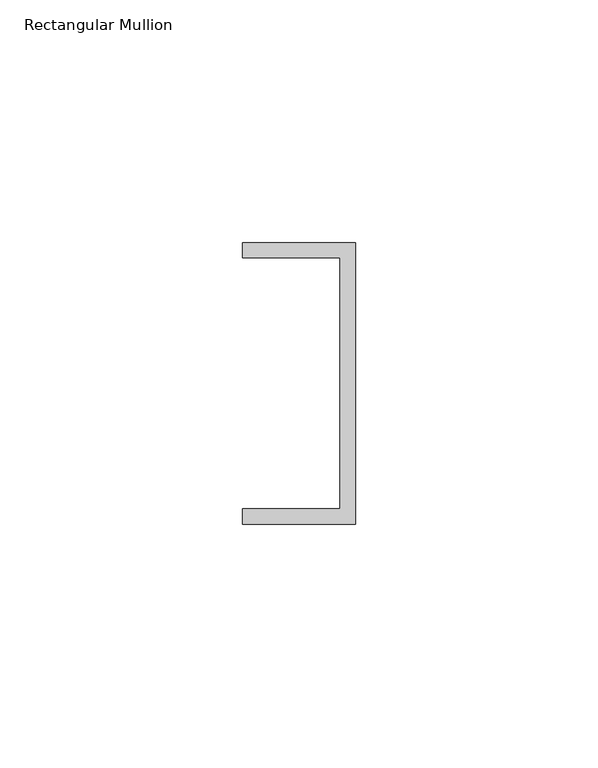
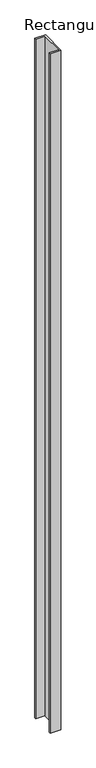
"""IFC4 building model written with IfcOpenShell, lengths in millimetres: member geometry, Rectangular Mullion."""

import ifcopenshell
import ifcopenshell.guid

model = None  # the IFC model being written
_history = None  # IfcOwnerHistory: only IFC2X3 demands one
_inside = {}  # id of a spatial element -> (the spatial element, [elements in it])
_under = {}  # id of a project, library or spatial element -> (it, [spatial elements below it])
_declared = {}  # id of a project -> (the project, [libraries it declares])
_typed = {}  # id of a type object -> (the type object, [elements of that type])
_made_of = {}  # id of a material, layer set ... -> (it, [elements and type objects made of it])


def new_model(schema):
    """Start an empty IFC model of exactly this schema.

    Asked for "IFC4X3", IfcOpenShell would pick the latest addendum, in which some entities
    have other attributes; the version numbers below select the first issue.
    IFC2X3 requires an IfcOwnerHistory on every rooted entity: one is made here for all.
    """
    global model, _history
    if schema == "IFC4X3":
        model = ifcopenshell.file(schema_version=(4, 3, 0, 0))
    else:
        model = ifcopenshell.file(schema=schema)
    _inside.clear()
    _under.clear()
    _declared.clear()
    _typed.clear()
    _made_of.clear()
    _history = None
    if model.schema == "IFC2X3":
        org = make("IfcOrganization", Name="unknown")
        user = make(
            "IfcPersonAndOrganization",
            ThePerson=make("IfcPerson", FamilyName="unknown"),
            TheOrganization=org,
        )
        app = make(
            "IfcApplication",
            ApplicationDeveloper=org,
            Version="unknown",
            ApplicationFullName="unknown",
            ApplicationIdentifier="unknown",
        )
        _history = make(
            "IfcOwnerHistory",
            OwningUser=user,
            OwningApplication=app,
            ChangeAction="ADDED",
            CreationDate=0,
        )
    return model


def make(cls, **values):
    """One entity of the class cls with the attributes given. An attribute that is None is left unset."""
    return model.create_entity(
        cls, **{name: value for name, value in values.items() if value is not None}
    )


def rooted(cls, **values):
    """An entity with a GlobalId (a new one), such as an element, a storey or a relation."""
    return make(cls, GlobalId=ifcopenshell.guid.new(), OwnerHistory=_history, **values)


def si_unit(unit_type, name, prefix=None):
    """IfcSIUnit, for example si_unit("LENGTHUNIT", "METRE", prefix="MILLI")."""
    return make("IfcSIUnit", UnitType=unit_type, Prefix=prefix, Name=name)


def assignment(units):
    """IfcUnitAssignment: the units of a project."""
    return None if units is None else make("IfcUnitAssignment", Units=units)


def point(xyz):
    """IfcCartesianPoint."""
    return None if xyz is None else make("IfcCartesianPoint", Coordinates=xyz)


def direction(xyz):
    """IfcDirection."""
    return None if xyz is None else make("IfcDirection", DirectionRatios=xyz)


def frame(location, z_axis=None, x_axis=None):
    """IfcAxis2Placement3D, a coordinate frame: its origin and axes. An axis left out is left unset."""
    return make(
        "IfcAxis2Placement3D",
        Location=point(location),
        Axis=direction(z_axis),
        RefDirection=direction(x_axis),
    )


def origin():
    """The frame at (0, 0, 0) with its axes left unset."""
    return frame((0.0, 0.0, 0.0))


def place(relative_to, where):
    """IfcLocalPlacement: puts the frame where relative to a parent placement (None: the world)."""
    return make(
        "IfcLocalPlacement", PlacementRelTo=relative_to, RelativePlacement=where
    )


def context(
    kind, dimensions, precision=None, world=None, true_north=None, identifier=None
):
    """IfcGeometricRepresentationContext, for example the 3D "Model" context."""
    return make(
        "IfcGeometricRepresentationContext",
        ContextIdentifier=identifier,
        ContextType=kind,
        CoordinateSpaceDimension=dimensions,
        Precision=precision,
        WorldCoordinateSystem=world,
        TrueNorth=true_north,
    )


def project(units=None, contexts=None):
    """IfcProject with its units and contexts."""
    return rooted(
        "IfcProject",
        Name="project",
        RepresentationContexts=contexts,
        UnitsInContext=assignment(units),
    )


def spatial(cls, under=None, at=None, **own):
    """A site, building, storey or space (cls), placed at a placement, below another one or the project."""
    s = rooted(cls, ObjectPlacement=at, **own)
    if under is not None:
        _under.setdefault(under.id(), (under, []))[1].append(s)
    return s


def polyline(points):
    """IfcPolyline through the points."""
    return make("IfcPolyline", Points=[point(p) for p in points])


def outline(outer, holes=None, kind="AREA"):
    """IfcArbitraryClosedProfileDef: a profile drawn as a closed curve; with holes, ...WithVoids."""
    if holes is None:
        return make("IfcArbitraryClosedProfileDef", ProfileType=kind, OuterCurve=outer)
    return make(
        "IfcArbitraryProfileDefWithVoids",
        ProfileType=kind,
        OuterCurve=outer,
        InnerCurves=holes,
    )


def extrude(swept, where, along, depth):
    """IfcExtrudedAreaSolid: the profile swept, set in the frame where, extruded along a direction by depth."""
    return make(
        "IfcExtrudedAreaSolid",
        SweptArea=swept,
        Position=where,
        ExtrudedDirection=direction(along),
        Depth=depth,
    )


def shape(context_of_items, identifier, shape_type, items):
    """IfcShapeRepresentation: the items that make up one representation, for example the "Body"."""
    return make(
        "IfcShapeRepresentation",
        ContextOfItems=context_of_items,
        RepresentationIdentifier=identifier,
        RepresentationType=shape_type,
        Items=items,
    )


def source(mapping_origin, context_of_items, identifier, shape_type, items):
    """IfcRepresentationMap: a shape defined once, which mapped items show again and again."""
    return make(
        "IfcRepresentationMap",
        MappingOrigin=mapping_origin,
        MappedRepresentation=shape(context_of_items, identifier, shape_type, items),
    )


def transform(
    local_origin,
    x_axis=None,
    y_axis=None,
    z_axis=None,
    scale=None,
    scale2=None,
    scale3=None,
    uniform=True,
):
    """IfcCartesianTransformationOperator3D, or its non-uniform kind. x_axis, y_axis, z_axis: its Axis1, 2, 3."""
    if uniform:
        return make(
            "IfcCartesianTransformationOperator3D",
            Axis1=direction(x_axis),
            Axis2=direction(y_axis),
            LocalOrigin=point(local_origin),
            Scale=scale,
            Axis3=direction(z_axis),
        )
    return make(
        "IfcCartesianTransformationOperator3DnonUniform",
        Axis1=direction(x_axis),
        Axis2=direction(y_axis),
        LocalOrigin=point(local_origin),
        Scale=scale,
        Axis3=direction(z_axis),
        Scale2=scale2,
        Scale3=scale3,
    )


def mapped(mapping_source, mapping_target):
    """IfcMappedItem: shows the shape of a source again, moved by a transform."""
    return make(
        "IfcMappedItem", MappingSource=mapping_source, MappingTarget=mapping_target
    )


def made_of(thing, what):
    """Note that an element or type object is made of a material, layer set ...; save() writes the relation."""
    if what is not None:
        _made_of.setdefault(what.id(), (what, []))[1].append(thing)
    return thing


def element(
    cls,
    number,
    at=None,
    inside=None,
    cuts=None,
    type_object=None,
    material=None,
    context=None,
    identifier="Body",
    shape_type=None,
    held_by="IfcProductDefinitionShape",
    body=None,
    shapes=None,
    **own,
):
    """One element of the class cls, such as IfcWall. Its Tag is "e" and its number.

    at: its placement. inside: the storey or other place that contains it. cuts: it is an
    opening in that element (IfcRelVoidsElement). A single representation is given by context,
    identifier, shape_type and body (its items); several are given by shapes. held_by: the class
    of the entity that holds the representations. save() writes the other relations.
    """
    e = rooted(cls, Tag="e%d" % number, ObjectPlacement=at, **own)
    if body is not None:
        shapes = [shape(context, identifier, shape_type, body)]
    if shapes is not None:
        e.Representation = make(held_by, Representations=shapes)
    if inside is not None:
        _inside.setdefault(inside.id(), (inside, []))[1].append(e)
    if cuts is not None:
        rooted(
            "IfcRelVoidsElement", RelatingBuildingElement=cuts, RelatedOpeningElement=e
        )
    if type_object is not None:
        _typed.setdefault(type_object.id(), (type_object, []))[1].append(e)
    return made_of(e, material)


def aggregate(whole, parts):
    """IfcRelAggregates: a whole, such as a stair, and the parts it consists of."""
    return rooted("IfcRelAggregates", RelatingObject=whole, RelatedObjects=parts)


def save(model, path):
    """Write the relations noted so far, then the file.

    IfcRelAggregates (storeys below a building ...), IfcRelContainedInSpatialStructure (elements
    in a storey), IfcRelDefinesByType, IfcRelAssociatesMaterial and IfcRelDeclares: one each for
    every whole, place, type object, material and project.
    """
    for whole, parts in _under.values():
        aggregate(whole, parts)
    for where, things in _inside.values():
        rooted(
            "IfcRelContainedInSpatialStructure",
            RelatedElements=things,
            RelatingStructure=where,
        )
    for kind, things in _typed.values():
        rooted("IfcRelDefinesByType", RelatedObjects=things, RelatingType=kind)
    for what, things in _made_of.values():
        rooted("IfcRelAssociatesMaterial", RelatedObjects=things, RelatingMaterial=what)
    for by, libraries in _declared.values():
        rooted("IfcRelDeclares", RelatingContext=by, RelatedDefinitions=libraries)
    model.write(path)


def rectangular_mullion_499ce15c(model_context):
    return source(origin(), model_context, "Body", "SweptSolid", [
        extrude(outline(polyline([(0.0, 29.0214844), (0.0, -29.0214844), (-23.3164063, -29.0214844), (-23.3164063, -25.8464844), (-3.175, -25.8464844), (-3.175, 25.8464844), (-23.3164063, 25.8464844), (-23.3164063, 29.0214844), (0.0, 29.0214844)])), frame((0.0, 0.0, -1569.640625), z_axis=(0.0, 0.0, 1.0), x_axis=(1.0, 0.0, 0.0)), (0.0, 0.0, 1.0), 1569.640625),
    ])


if __name__ == "__main__":
    model = new_model("IFC4")
    model_context = context("Model", 3, world=origin())
    ifc_project = project(units=[si_unit("LENGTHUNIT", "METRE", prefix="MILLI")], contexts=[model_context])
    site = spatial("IfcSite", under=ifc_project)
    building = spatial("IfcBuilding", under=site)
    placement = place(None, origin())
    rectangular_mullion_shape = rectangular_mullion_499ce15c(model_context)
    element("IfcMember", 1, ObjectType="Rectangular Mullion", at=placement, inside=building, context=model_context, shape_type="MappedRepresentation", body=[
        mapped(rectangular_mullion_shape, transform((0.0, 0.0, 0.0), x_axis=(1.0, 0.0, 0.0), y_axis=(0.0, 1.0, 0.0), z_axis=(0.0, 0.0, 1.0))),
    ])
    save(model, "model.ifc")
